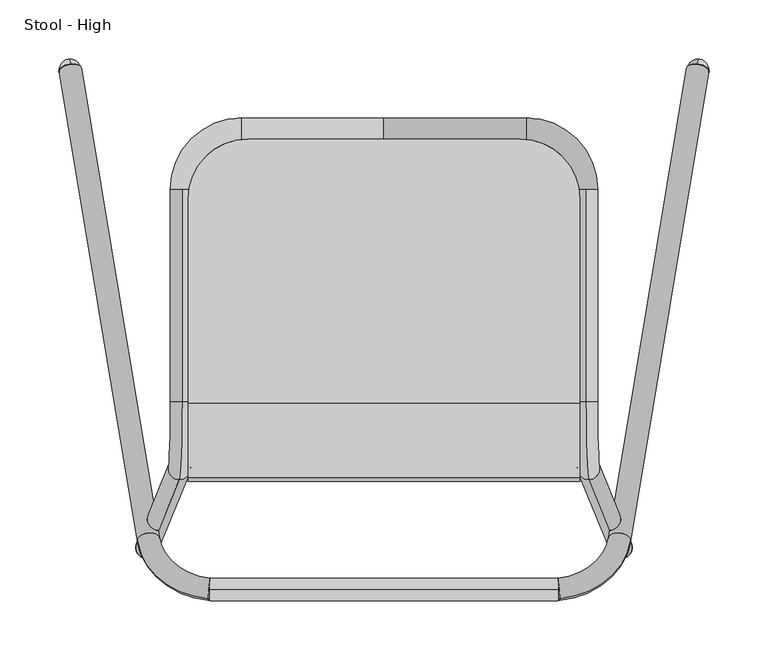
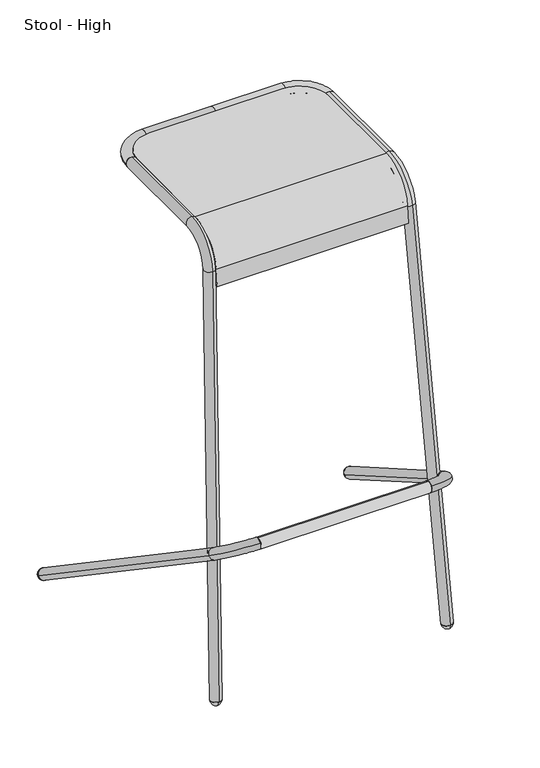
"""IFC4 building model written with IfcOpenShell, lengths in millimetres: furniture geometry, Stool - High."""

from ifc_helpers import new_model, si_unit, point, frame, frame_2d, origin, place, context, project, spatial, polyline, circle_curve, ellipse_curve, trimmed, segment, composite_curve, outline, extrude, source, transform, mapped, element, save
from ifc_brep_helpers import plane_surface, cylinder_surface, revolved_surface, advanced_brep


def stool_high_49d68d99(model_context):
    return source(origin(), model_context, "Body", "SolidModel", [
        advanced_brep(
        [(166.1553626, 13.2289178, 807.8716814), (-166.1553626, 13.2289178, 807.8716814), (-166.1553626, -50.0294455, 749.9060711), (166.1553626, -50.0294455, 749.9060711), (-166.1553626, -52.7052818, 719.3211229), (166.1553626, -52.7052818, 719.3211229), (-166.1553626, -49.5181538, 719.3211229), (166.1553626, -49.5181538, 719.3211229), (-166.1553626, -46.8665274, 749.6293516), (166.1553626, -46.8665274, 749.6293516), (-166.1553626, 13.2289178, 804.6966814), (166.1553626, 13.2289178, 804.6966814), (-166.1553626, 187.0067261, 804.6966814), (-115.3553626, 237.8067261, 804.6966814), (115.3553626, 237.8067261, 804.6966814), (166.1553626, 187.0067261, 804.6966814), (166.1553626, 187.0067261, 807.8716814), (115.3553626, 237.8067261, 807.8716814), (-115.3553626, 237.8067261, 807.8716814), (-166.1553626, 187.0067261, 807.8716814)],
        [
            (0, 1),
            (1, 2, circle_curve(frame((-166.1553626, 13.2289178, 744.3716814), z_axis=(1.0, 0.0, 0.0), x_axis=(0.0, 0.0, 1.0)), 63.5)),
            (2, 3),
            (3, 0, circle_curve(frame((166.1553626, 13.2289178, 744.3716814), z_axis=(-1.0, 0.0, 0.0), x_axis=(0.0, 0.0, 1.0)), 63.5)),
            (2, 4),
            (4, 5),
            (5, 3),
            (4, 6),
            (6, 7),
            (7, 5),
            (6, 8),
            (8, 9),
            (9, 7),
            (8, 10, circle_curve(frame((-166.1553626, 13.2289178, 744.3716814), z_axis=(-1.0, 0.0, 0.0), x_axis=(0.0, 0.0, 1.0)), 60.325)),
            (10, 11),
            (11, 9, circle_curve(frame((166.1553626, 13.2289178, 744.3716814), z_axis=(1.0, 0.0, 0.0), x_axis=(0.0, 0.0, 1.0)), 60.325)),
            (10, 12),
            (12, 13, circle_curve(frame((-115.3553626, 187.0067261, 804.6966814), z_axis=(0.0, 0.0, -1.0), x_axis=(0.0, -1.0, 0.0)), 50.8)),
            (13, 14),
            (14, 15, circle_curve(frame((115.3553626, 187.0067261, 804.6966814), z_axis=(0.0, 0.0, -1.0), x_axis=(0.0, -1.0, 0.0)), 50.8)),
            (15, 11),
            (0, 16),
            (16, 17, circle_curve(frame((115.3553626, 187.0067261, 807.8716814), z_axis=(0.0, 0.0, 1.0), x_axis=(0.0, -1.0, 0.0)), 50.8)),
            (17, 18),
            (18, 19, circle_curve(frame((-115.3553626, 187.0067261, 807.8716814), z_axis=(0.0, 0.0, 1.0), x_axis=(0.0, -1.0, 0.0)), 50.8)),
            (19, 1),
            (19, 12),
            (18, 13),
            (17, 14),
            (16, 15),
        ],
        [
            cylinder_surface(frame((-177.8, 13.2289178, 744.3716814), z_axis=(1.0, 0.0, 0.0), x_axis=(0.0, 0.0, 1.0)), 63.5),
            plane_surface(frame((177.8, -50.0294455, 749.9060711), z_axis=(0.0, -0.9961946980917455, 0.08715574274765779), x_axis=(-1.0, 0.0, 0.0))),
            plane_surface(frame((177.8, -52.7052818, 719.3211229), z_axis=(0.0, 0.0, -1.0), x_axis=(-1.0, 0.0, 0.0))),
            plane_surface(frame((177.8, -49.5181538, 719.3211229), z_axis=(0.0, 0.9961946980917455, -0.08715574274765885), x_axis=(-1.0, 0.0, 0.0))),
            revolved_surface(polyline([(-166.1553626, 13.2289178, 804.6966814000001), (166.1553626, 13.2289178, 804.6966814000001)]), (-177.8, 13.2289178, 744.3716814), (-1.0, 0.0, 0.0)),
            plane_surface(frame((177.8, 13.2289178, 804.6966814), z_axis=(0.0, 0.0, -1.0), x_axis=(-1.0, 0.0, 0.0))),
            plane_surface(frame((177.8, 246.3238297, 807.8716814), z_axis=(0.0, 0.0, 1.0), x_axis=(-1.0, 0.0, 0.0))),
            plane_surface(frame((-166.1553626, -97.7641973, 876.3), z_axis=(-1.0, 0.0, 0.0), x_axis=(0.0, 0.0, -1.0))),
            cylinder_surface(frame((-115.3553626, 187.0067261, 564.8398382), z_axis=(0.0, 0.0, -1.0), x_axis=(0.0, -1.0, 0.0)), 50.8),
            plane_surface(frame((-115.3553626, 237.8067261, 876.3), z_axis=(0.0, 1.0, 0.0), x_axis=(0.0, 0.0, -1.0))),
            cylinder_surface(frame((115.3553626, 187.0067261, 564.8398382), z_axis=(0.0, 0.0, -1.0), x_axis=(0.0, -1.0, 0.0)), 50.8),
            plane_surface(frame((166.1553626, 187.0067261, 876.3), z_axis=(1.0, 0.0, 0.0), x_axis=(0.0, 0.0, -1.0))),
        ],
        [
            (0, [[1, 2, 3, 4]]),
            (1, [[-3, 5, 6, 7]]),
            (2, [[-6, 8, 9, 10]]),
            (3, [[-9, 11, 12, 13]]),
            (4, [[-12, 14, 15, 16]]),
            (5, [[-15, 17, 18, 19, 20, 21]]),
            (6, [[-1, 22, 23, 24, 25, 26]]),
            (7, [[27, -17, -14, -11, -8, -5, -2, -26]]),
            (8, [[-27, -25, 28, -18]]),
            (9, [[-28, -24, 29, -19]]),
            (10, [[-29, -23, 30, -20]]),
            (11, [[-30, -22, -4, -7, -10, -13, -16, -21]]),
        ],
    ),
        extrude(outline(composite_curve([segment(trimmed(circle_curve(frame_2d((-144.5282705, 298.5492187)), 9.525), [point((-144.5282705, 289.0242187))], [point((-144.5282705, 308.0742187))], False, "CARTESIAN"), True, "CONTINUOUS"), segment(trimmed(circle_curve(frame_2d((-144.5282705, 298.5492187)), 9.525), [point((-144.5282705, 308.0742187))], [point((-144.5282705, 289.0242187))], False, "CARTESIAN"), True, "CONTINUOUS")], self_intersect=False)), frame((-147.9351563, 0.0, 0.0), z_axis=(1.0, 0.0, 0.0), x_axis=(0.0, 1.0, 0.0)), (0.0, 0.0, 1.0), 295.8703125),
        advanced_brep(
        [(267.3511482, 302.8554624, 11.3608379), (267.909329, 299.9320435, 6.951825), (266.7929674, 305.7788813, 15.7698507), (265.2733289, 301.5607787, 23.4390126), (267.2706493, 291.1000036, 7.6623849), (266.2719891, 296.3303912, 15.5506988)],
        [
            (0, 1),
            (1, 2, circle_curve(frame((267.3511482, 302.8554624, 11.3608379), z_axis=(0.13783805935553609, 0.8334296167362872, -0.535159549424193), x_axis=(0.10493059011884284, -0.5495639765616034, -0.828835934864741)), 5.3195242)),
            (2, 0),
            (2, 1, circle_curve(frame((267.3511482, 302.8554624, 11.3608379), z_axis=(0.13783805935553609, 0.8334296167362872, -0.535159549424193), x_axis=(0.10493059011884284, -0.5495639765616034, -0.828835934864741)), 5.3195242)),
            (3, 4, circle_curve(frame((266.2719891, 296.3303912, 15.5506988), z_axis=(-0.13783805935553609, -0.8334296167362872, 0.535159549424193), x_axis=(0.10493059011884284, -0.5495639765616034, -0.828835934864741)), 9.5173406)),
            (4, 5),
            (5, 3),
            (4, 3, circle_curve(frame((266.2719891, 296.3303912, 15.5506988), z_axis=(-0.13783805935553609, -0.8334296167362872, 0.535159549424193), x_axis=(0.10493059011884284, -0.5495639765616034, -0.828835934864741)), 9.5173406)),
            (1, 4, circle_curve(frame((265.7476607, 296.5740086, 18.8015741), z_axis=(-0.9848808256080588, 0.05809052945707333, -0.1632030935276227), x_axis=(-0.12781551371487535, -0.8795865336707184, 0.4582474486987713)), 12.5046296)),
            (3, 2, circle_curve(frame((266.3527626, 293.4048449, 14.0219362), z_axis=(-0.9848808256080589, 0.05809052945706945, -0.16320309352762402), x_axis=(-0.1467377232844927, -0.7804832624069772, 0.6077120351513912)), 12.5046296)),
        ],
        [
            plane_surface(frame((267.3511482, 302.8554624, 11.3608379), z_axis=(0.13783805935553545, 0.8334296167362873, -0.5351595494241931), x_axis=(0.10493059011884281, -0.5495639765616033, -0.8288359348647408))),
            plane_surface(frame((266.2719891, 296.3303912, 15.5506988), z_axis=(-0.13783805935553545, -0.8334296167362873, 0.5351595494241931), x_axis=(0.10493059011884281, -0.5495639765616033, -0.8288359348647408))),
            revolved_surface(trimmed(ellipse_curve(frame((265.7476607, 296.5740086, 18.8015741), z_axis=(0.9848808256080588, -0.05809052945707333, 0.1632030935276227), x_axis=(-0.12781551371487535, -0.8795865336707184, 0.4582474486987713)), 12.5046296, 12.5046296), [point((267.2706493, 291.1000036, 7.6623849))], [point((267.909329, 299.9320435, 6.951825))], True, "CARTESIAN"), (268.3000597, 308.5929994, 7.6766662), (0.13783805935553609, 0.8334296167362872, -0.535159549424193)),
            revolved_surface(trimmed(ellipse_curve(frame((265.7476607, 296.5740086, 18.8015741), z_axis=(0.9848808256080588, -0.05809052945707386, 0.16320309352762305), x_axis=(-0.12781551371487596, -0.8795865336707183, 0.45824744869877126)), 12.5046296, 12.5046296), [point((267.2706493, 291.1000036, 7.6623849))], [point((267.909329, 299.9320435, 6.951825))], True, "CARTESIAN"), (268.3000597, 308.5929994, 7.6766662), (0.13783805935553609, 0.8334296167362872, -0.535159549424193)),
        ],
        [
            (0, [[1, 2, 3]]),
            (0, [[-3, 4, -1]]),
            (1, [[5, 6, 7]]),
            (1, [[8, -7, -6]]),
            (2, [[-2, 9, -5, 10]]),
            (3, [[-4, -10, -8, -9]]),
        ],
    ),
        advanced_brep(
        [(256.4107109, 297.3629354, 14.8032444), (275.2788744, 295.153413, 16.2220169), (209.4590818, -102.8220432, 271.76893), (190.5909182, -100.6125208, 270.3501575), (146.8976341, -136.3228435, 293.2803724), (148.9726784, -152.2573059, 303.5121659)],
        [
            (0, 1, circle_curve(frame((265.8447926, 296.2581742, 15.5126307), z_axis=(0.13783805935553617, 0.8334296167362902, -0.5351595494241881), x_axis=(0.9904547790752992, -0.11598542750998722, 0.07447624595953939)), 9.525)),
            (1, 0, circle_curve(frame((265.8447926, 296.2581742, 15.5126307), z_axis=(0.13783805935553617, 0.8334296167362902, -0.5351595494241881), x_axis=(0.9904547790752992, -0.11598542750998722, 0.07447624595953939)), 9.525)),
            (1, 2),
            (2, 3, circle_curve(frame((200.025, -101.717282, 271.0595438), z_axis=(0.13783805935553617, 0.8334296167362902, -0.5351595494241881), x_axis=(0.9904547790752992, -0.11598542750998722, 0.07447624595953939)), 9.525)),
            (3, 0),
            (3, 2, circle_curve(frame((200.025, -101.717282, 271.0595438), z_axis=(0.13783805935553617, 0.8334296167362902, -0.5351595494241881), x_axis=(0.9904547790752992, -0.11598542750998722, 0.07447624595953939)), 9.525)),
            (4, 5, circle_curve(frame((147.9351563, -144.2900747, 298.3962691), z_axis=(-0.9940498379357217, -0.09165721968122494, 0.058854683588252375), x_axis=(0.10892621218038215, -0.8364547205486779, 0.5371020208227371)), 9.525)),
            (5, 4, circle_curve(frame((147.9351563, -144.2900747, 298.3962691), z_axis=(-0.9940498379357217, -0.09165721968122494, 0.058854683588252375), x_axis=(0.10892621218038215, -0.8364547205486779, 0.5371020208227371)), 9.525)),
            (4, 3, circle_curve(frame((141.4986667, -94.8636609, 266.6587153), z_axis=(0.0, 0.5403169945061194, 0.8414615531608525), x_axis=(0.9904547790752998, -0.11598542750999317, 0.07447624595952285)), 49.5653638)),
            (2, 5, circle_curve(frame((141.4986667, -94.8636609, 266.6587153), z_axis=(0.0, -0.5403169945061194, -0.8414615531608525), x_axis=(0.9904547790752998, -0.11598542750999317, 0.07447624595952285)), 68.6153638)),
        ],
        [
            plane_surface(frame((265.8447926, 296.2581742, 15.5126307), z_axis=(0.13783805935553614, 0.8334296167362902, -0.5351595494241881), x_axis=(0.0, 0.5403169945061194, 0.8414615531608525))),
            cylinder_surface(frame((265.8447926, 296.2581742, 15.5126307), z_axis=(0.13783805935553617, 0.8334296167362902, -0.5351595494241881), x_axis=(0.9904547790752992, -0.11598542750998722, 0.07447624595953939)), 9.525),
            plane_surface(frame((147.9351563, -144.2900747, 298.3962691), z_axis=(-0.9940498379357217, -0.09165721968122498, 0.05885468358825242), x_axis=(0.0, 0.5403169945061336, 0.8414615531608435))),
            revolved_surface(trimmed(ellipse_curve(frame((200.025, -101.717282, 271.0595438), z_axis=(0.13783805935553226, 0.8334296167362908, -0.5351595494241884), x_axis=(0.9904547790752998, -0.11598542750998395, 0.07447624595953727)), 9.525, 9.525), [point((209.4590818, -102.8220432, 271.76893))], [point((190.5909182, -100.6125208, 270.3501575))], True, "CARTESIAN"), (141.4986667, -94.8636609, 266.6587153), (0.0, -0.5403169945061194, -0.8414615531608525)),
            revolved_surface(trimmed(ellipse_curve(frame((200.025, -101.717282, 271.0595438), z_axis=(0.13783805935553226, 0.8334296167362908, -0.5351595494241884), x_axis=(0.9904547790752998, -0.11598542750998395, 0.07447624595953727)), 9.525, 9.525), [point((190.5909182, -100.6125208, 270.3501575))], [point((209.4590818, -102.8220432, 271.76893))], True, "CARTESIAN"), (141.4986667, -94.8636609, 266.6587153), (0.0, -0.5403169945061194, -0.8414615531608525)),
        ],
        [
            (0, [[1, 2]]),
            (1, [[-2, 3, 4, 5]]),
            (1, [[-1, -5, 6, -3]]),
            (2, [[7, 8]]),
            (3, [[9, -4, 10, -7]]),
            (4, [[-10, -6, -9, -8]]),
        ],
    ),
        advanced_brep(
        [(-266.7929674, 305.7788813, 15.7698507), (-267.909329, 299.9320435, 6.951825), (-267.3511482, 302.8554624, 11.3608379), (-266.2719891, 296.3303912, 15.5506988), (-267.2706493, 291.1000036, 7.6623849), (-265.2733289, 301.5607787, 23.4390126)],
        [
            (0, 1, circle_curve(frame((-267.3511482, 302.8554624, 11.3608379), z_axis=(-0.13783805935554708, 0.8334296167362872, -0.5351595494241901), x_axis=(-0.10493059011885986, -0.5495639765616034, -0.8288359348647388)), 5.3195242)),
            (1, 2),
            (2, 0),
            (1, 0, circle_curve(frame((-267.3511482, 302.8554624, 11.3608379), z_axis=(-0.13783805935554708, 0.8334296167362872, -0.5351595494241901), x_axis=(-0.10493059011885986, -0.5495639765616034, -0.8288359348647388)), 5.3195242)),
            (3, 4),
            (4, 5, circle_curve(frame((-266.2719891, 296.3303912, 15.5506988), z_axis=(0.13783805935554708, -0.8334296167362872, 0.5351595494241901), x_axis=(-0.10493059011885986, -0.5495639765616034, -0.8288359348647388)), 9.5173406)),
            (5, 3),
            (5, 4, circle_curve(frame((-266.2719891, 296.3303912, 15.5506988), z_axis=(0.13783805935554708, -0.8334296167362872, 0.5351595494241901), x_axis=(-0.10493059011885986, -0.5495639765616034, -0.8288359348647388)), 9.5173406)),
            (4, 1, circle_curve(frame((-265.7476607, 296.5740086, 18.8015741), z_axis=(0.9848808256080552, 0.058090529457073374, -0.16320309352764295), x_axis=(0.12781551371488478, -0.8795865336707184, 0.4582474486987683)), 12.5046296)),
            (0, 5, circle_curve(frame((-266.3527626, 293.4048449, 14.0219362), z_axis=(0.9848808256080553, 0.05809052945706939, -0.16320309352764417), x_axis=(0.14673772328450513, -0.780483262406977, 0.607712035151388)), 12.5046296)),
        ],
        [
            plane_surface(frame((-267.3511482, 302.8554624, 11.3608379), z_axis=(-0.1378380593555465, 0.8334296167362875, -0.5351595494241903), x_axis=(-0.10493059011885986, -0.5495639765616034, -0.8288359348647388))),
            plane_surface(frame((-266.2719891, 296.3303912, 15.5506988), z_axis=(0.1378380593555465, -0.8334296167362875, 0.5351595494241903), x_axis=(-0.10493059011885986, -0.5495639765616034, -0.8288359348647388))),
            revolved_surface(trimmed(ellipse_curve(frame((-265.7476607, 296.5740086, 18.8015741), z_axis=(-0.9848808256080552, -0.058090529457073374, 0.16320309352764295), x_axis=(0.12781551371488478, -0.8795865336707184, 0.4582474486987683)), 12.5046296, 12.5046296), [point((-267.909329, 299.9320435, 6.951825))], [point((-267.2706493, 291.1000036, 7.6623849))], True, "CARTESIAN"), (-268.3000597, 308.5929994, 7.6766662), (0.13783805935554708, -0.8334296167362872, 0.5351595494241901)),
            revolved_surface(trimmed(ellipse_curve(frame((-265.7476607, 296.5740086, 18.8015741), z_axis=(-0.9848808256080552, -0.05809052945707394, 0.1632030935276433), x_axis=(0.12781551371488542, -0.8795865336707185, 0.4582474486987681)), 12.5046296, 12.5046296), [point((-267.909329, 299.9320435, 6.951825))], [point((-267.2706493, 291.1000036, 7.6623849))], True, "CARTESIAN"), (-268.3000597, 308.5929994, 7.6766662), (0.13783805935554708, -0.8334296167362872, 0.5351595494241901)),
        ],
        [
            (0, [[1, 2, 3]]),
            (0, [[4, -3, -2]]),
            (1, [[5, 6, 7]]),
            (1, [[-7, 8, -5]]),
            (2, [[-6, 9, -1, 10]]),
            (3, [[-8, -10, -4, -9]]),
        ],
    ),
        advanced_brep(
        [(-275.2788744, 295.153413, 16.2220169), (-256.4107109, 297.3629354, 14.8032444), (-209.4590818, -102.8220432, 271.76893), (-190.5909182, -100.6125208, 270.3501575), (-148.9726784, -152.2573059, 303.5121659), (-146.8976341, -136.3228435, 293.2803724)],
        [
            (0, 1, circle_curve(frame((-265.8447926, 296.2581742, 15.5126307), z_axis=(-0.1378380593555472, 0.8334296167362889, -0.5351595494241872), x_axis=(0.9904547790752977, 0.11598542750999653, -0.07447624595954534)), 9.525)),
            (1, 0, circle_curve(frame((-265.8447926, 296.2581742, 15.5126307), z_axis=(-0.1378380593555472, 0.8334296167362889, -0.5351595494241872), x_axis=(0.9904547790752977, 0.11598542750999653, -0.07447624595954534)), 9.525)),
            (0, 2),
            (2, 3, circle_curve(frame((-200.025, -101.717282, 271.0595438), z_axis=(-0.1378380593555472, 0.8334296167362889, -0.5351595494241872), x_axis=(0.9904547790752977, 0.11598542750999653, -0.07447624595954534)), 9.525)),
            (3, 1),
            (3, 2, circle_curve(frame((-200.025, -101.717282, 271.0595438), z_axis=(-0.1378380593555472, 0.8334296167362889, -0.5351595494241872), x_axis=(0.9904547790752977, 0.11598542750999653, -0.07447624595954534)), 9.525)),
            (4, 5, circle_curve(frame((-147.9351562, -144.2900747, 298.3962691), z_axis=(0.9940498379357228, -0.09165721968122369, 0.05885468358823385), x_axis=(0.1089262121803711, 0.8364547205486871, -0.5371020208227247)), 9.525)),
            (5, 4, circle_curve(frame((-147.9351562, -144.2900747, 298.3962691), z_axis=(0.9940498379357228, -0.09165721968122369, 0.05885468358823385), x_axis=(0.1089262121803711, 0.8364547205486871, -0.5371020208227247)), 9.525)),
            (5, 3, circle_curve(frame((-141.4986667, -94.8636609, 266.6587153), z_axis=(0.0, -0.5403169945061194, -0.8414615531608525), x_axis=(-0.9904547790752984, -0.11598542750999168, 0.07447624595954223)), 49.5653638)),
            (2, 4, circle_curve(frame((-141.4986667, -94.8636609, 266.6587153), z_axis=(0.0, 0.5403169945061194, 0.8414615531608525), x_axis=(-0.9904547790752984, -0.11598542750999168, 0.07447624595954223)), 68.6153638)),
        ],
        [
            plane_surface(frame((-265.8447926, 296.2581742, 15.5126307), z_axis=(-0.13783805935554716, 0.833429616736289, -0.5351595494241873), x_axis=(0.0, 0.5403169945061194, 0.8414615531608525))),
            cylinder_surface(frame((-265.8447926, 296.2581742, 15.5126307), z_axis=(-0.13783805935554722, 0.8334296167362891, -0.5351595494241873), x_axis=(0.9904547790752977, 0.11598542750999653, -0.07447624595954534)), 9.525),
            plane_surface(frame((-147.9351563, -144.2900747, 298.3962691), z_axis=(0.9940498379357229, -0.09165721968122388, 0.058854683588233724), x_axis=(0.0, 0.5403169945061194, 0.8414615531608526))),
            revolved_surface(trimmed(ellipse_curve(frame((-200.025, -101.717282, 271.0595438), z_axis=(-0.1378380593555415, 0.8334296167362898, -0.5351595494241875), x_axis=(0.9904547790752984, 0.11598542750999175, -0.07447624595954222)), 9.525, 9.525), [point((-209.4590818, -102.8220432, 271.76893))], [point((-190.5909182, -100.6125208, 270.3501575))], True, "CARTESIAN"), (-141.4986667, -94.8636609, 266.6587153), (0.0, 0.5403169945061194, 0.8414615531608525)),
            revolved_surface(trimmed(ellipse_curve(frame((-200.025, -101.717282, 271.0595438), z_axis=(-0.1378380593555415, 0.8334296167362898, -0.5351595494241875), x_axis=(0.9904547790752984, 0.11598542750999175, -0.07447624595954222)), 9.525, 9.525), [point((-190.5909182, -100.6125208, 270.3501575))], [point((-209.4590818, -102.8220432, 271.76893))], True, "CARTESIAN"), (-141.4986667, -94.8636609, 266.6587153), (0.0, 0.5403169945061194, 0.8414615531608525)),
        ],
        [
            (0, [[1, 2]]),
            (1, [[-1, 3, 4, 5]]),
            (1, [[-2, -5, 6, -3]]),
            (2, [[7, 8]]),
            (3, [[9, -4, 10, -8]]),
            (4, [[-10, -6, -9, -7]]),
        ],
    ),
        advanced_brep(
        [(0.0, 255.6638378, 800.1), (120.65, 255.6638378, 800.1), (120.65, 236.6138378, 800.1), (0.0, 236.6138378, 800.1), (162.1250464, 195.1387915, 800.1), (181.1750464, 195.1387915, 800.1), (-120.65, 255.6638378, 800.1), (-120.65, 236.6138378, 800.1), (-181.1750464, 195.1387915, 800.1), (-162.1250464, 195.1387915, 800.1)],
        [
            (0, 1),
            (1, 2, circle_curve(frame((120.65, 246.1388378, 800.1), z_axis=(-1.0, 0.0, 0.0), x_axis=(0.0, 1.0, 0.0)), 9.525)),
            (2, 3),
            (3, 0, circle_curve(frame((0.0, 246.1388378, 800.1), z_axis=(1.0, 0.0, 0.0), x_axis=(0.0, 1.0, 0.0)), 9.525)),
            (0, 3, circle_curve(frame((0.0, 246.1388378, 800.1), z_axis=(1.0, 0.0, 0.0), x_axis=(0.0, 1.0, 0.0)), 9.525)),
            (2, 1, circle_curve(frame((120.65, 246.1388378, 800.1), z_axis=(-1.0, 0.0, 0.0), x_axis=(0.0, 1.0, 0.0)), 9.525)),
            (4, 5, circle_curve(frame((171.6500464, 195.1387915, 800.1), z_axis=(0.0, -1.0, 0.0), x_axis=(1.0, 0.0, 0.0)), 9.525)),
            (5, 4, circle_curve(frame((171.6500464, 195.1387915, 800.1), z_axis=(0.0, -1.0, 0.0), x_axis=(1.0, 0.0, 0.0)), 9.525)),
            (1, 5, circle_curve(frame((120.65, 195.1387915, 800.1), z_axis=(0.0, 0.0, -1.0), x_axis=(0.0, 1.0, 0.0)), 60.5250464)),
            (4, 2, circle_curve(frame((120.65, 195.1387915, 800.1), z_axis=(0.0, 0.0, 1.0), x_axis=(0.0, 1.0, 0.0)), 41.4750464)),
            (0, 6),
            (6, 7, circle_curve(frame((-120.65, 246.1388378, 800.1), z_axis=(1.0, 0.0, 0.0), x_axis=(0.0, -1.0, 0.0)), 9.525)),
            (7, 3),
            (7, 6, circle_curve(frame((-120.65, 246.1388378, 800.1), z_axis=(1.0, 0.0, 0.0), x_axis=(0.0, -1.0, 0.0)), 9.525)),
            (8, 9, circle_curve(frame((-171.6500464, 195.1387915, 800.1), z_axis=(0.0, -1.0, 0.0), x_axis=(1.0, 0.0, 0.0)), 9.525)),
            (9, 8, circle_curve(frame((-171.6500464, 195.1387915, 800.1), z_axis=(0.0, -1.0, 0.0), x_axis=(1.0, 0.0, 0.0)), 9.525)),
            (6, 8, circle_curve(frame((-120.65, 195.1387915, 800.1), z_axis=(0.0, 0.0, 1.0), x_axis=(0.0, 1.0, 0.0)), 60.5250464)),
            (9, 7, circle_curve(frame((-120.65, 195.1387915, 800.1), z_axis=(0.0, 0.0, -1.0), x_axis=(0.0, 1.0, 0.0)), 41.4750464)),
        ],
        [
            cylinder_surface(frame((0.0, 246.1388378, 800.1), z_axis=(-1.0, 0.0, 0.0), x_axis=(0.0, 1.0, 0.0)), 9.525),
            plane_surface(frame((171.6500464, 195.1387915, 800.1), z_axis=(0.0, -1.0, 0.0), x_axis=(0.0, 0.0, 1.0))),
            revolved_surface(trimmed(ellipse_curve(frame((120.65, 246.1388378, 800.1), z_axis=(-1.0, 0.0, 0.0), x_axis=(0.0, 1.0, 0.0)), 9.525, 9.525), [point((120.65, 255.6638378, 800.1))], [point((120.65, 236.6138378, 800.1))], True, "CARTESIAN"), (120.65, 195.1387915, 800.1), (0.0, 0.0, -1.0)),
            revolved_surface(trimmed(ellipse_curve(frame((120.65, 246.1388378, 800.1), z_axis=(-1.0, 0.0, 0.0), x_axis=(0.0, 1.0, 0.0)), 9.525, 9.525), [point((120.65, 236.6138378, 800.1))], [point((120.65, 255.6638378, 800.1))], True, "CARTESIAN"), (120.65, 195.1387915, 800.1), (0.0, 0.0, -1.0)),
            cylinder_surface(frame((0.0, 246.1388378, 800.1), z_axis=(1.0, 0.0, 0.0), x_axis=(0.0, -1.0, 0.0)), 9.525),
            plane_surface(frame((-171.6500464, 195.1387915, 800.1), z_axis=(0.0, -1.0, 0.0), x_axis=(0.0, 0.0, 1.0))),
            revolved_surface(trimmed(ellipse_curve(frame((-120.65, 246.1388378, 800.1), z_axis=(1.0, 0.0, 0.0), x_axis=(0.0, -1.0, 0.0)), 9.525, 9.525), [point((-120.65, 255.6638378, 800.1))], [point((-120.65, 236.6138378, 800.1))], True, "CARTESIAN"), (-120.65, 195.1387915, 800.1), (0.0, 0.0, 1.0)),
            revolved_surface(trimmed(ellipse_curve(frame((-120.65, 246.1388378, 800.1), z_axis=(1.0, 0.0, 0.0), x_axis=(0.0, -1.0, 0.0)), 9.525, 9.525), [point((-120.65, 236.6138378, 800.1))], [point((-120.65, 255.6638378, 800.1))], True, "CARTESIAN"), (-120.65, 195.1387915, 800.1), (0.0, 0.0, 1.0)),
        ],
        [
            (0, [[1, 2, 3, 4]]),
            (0, [[-1, 5, -3, 6]]),
            (1, [[7, 8]]),
            (2, [[-2, 9, -7, 10]]),
            (3, [[-6, -10, -8, -9]]),
            (4, [[11, 12, 13, -5]]),
            (4, [[-11, -4, -13, 14]]),
            (5, [[15, 16]]),
            (6, [[-12, 17, -16, 18]]),
            (7, [[-14, -18, -15, -17]]),
        ],
    ),
        advanced_brep(
        [(201.1968485, -109.5826812, 0.922766), (201.1968364, -114.8804788, 1.4030557), (201.1968606, -104.2848836, 0.4424763), (200.9081177, -99.3978109, 7.8553626), (200.9080744, -118.3547485, 9.5739677), (200.908096, -108.8762797, 8.7146652)],
        [
            (0, 1),
            (1, 2, circle_curve(frame((201.1968485, -109.5826812, 0.922766), z_axis=(0.03688156795671764, -0.09022675039102243, -0.9952381039022422), x_axis=(-2.2733098768196354e-06, -0.9959156891523456, 0.0902880949795763)), 5.3195242)),
            (2, 0),
            (2, 1, circle_curve(frame((201.1968485, -109.5826812, 0.922766), z_axis=(0.03688156795671764, -0.09022675039102243, -0.9952381039022422), x_axis=(-2.2733098768196354e-06, -0.9959156891523456, 0.0902880949795763)), 5.3195242)),
            (3, 4, circle_curve(frame((200.908096, -108.8762797, 8.7146652), z_axis=(-0.03688156795671764, 0.09022675039102243, 0.9952381039022422), x_axis=(-2.2733098768196354e-06, -0.9959156891523456, 0.0902880949795763)), 9.5173406)),
            (4, 5),
            (5, 3),
            (4, 3, circle_curve(frame((200.908096, -108.8762797, 8.7146652), z_axis=(-0.03688156795671764, 0.09022675039102243, 0.9952381039022422), x_axis=(-2.2733098768196354e-06, -0.9959156891523456, 0.0902880949795763)), 9.5173406)),
            (1, 4, circle_curve(frame((200.8487612, -105.8595401, 10.0556431), z_axis=(-0.9993196435274784, -0.003327704026060493, -0.036731137281997), x_axis=(-0.03673154722961979, 6.213954896247542e-05, 0.9993251670886684)), 12.5046296)),
            (3, 2, circle_curve(frame((200.8487481, -111.6026747, 10.5763064), z_axis=(-0.9993196435274784, -0.0033277040260634707, -0.03673113728199406), x_axis=(-0.03673113728199532, 0.17965633950980583, 0.9830434493082739)), 12.5046296)),
        ],
        [
            plane_surface(frame((201.1968485, -109.5826812, 0.922766), z_axis=(0.03688156795671699, -0.09022675039102244, -0.9952381039022423), x_axis=(-2.273309876819635e-06, -0.9959156891523454, 0.09028809497957628))),
            plane_surface(frame((200.908096, -108.8762797, 8.7146652), z_axis=(-0.03688156795671699, 0.09022675039102244, 0.9952381039022423), x_axis=(-2.273309876819635e-06, -0.9959156891523454, 0.09028809497957628))),
            revolved_surface(trimmed(ellipse_curve(frame((200.8487612, -105.8595401, 10.0556431), z_axis=(0.9993196435274784, 0.003327704026060493, 0.036731137281997), x_axis=(-0.03673154722961979, 6.213954896247542e-05, 0.9993251670886684)), 12.5046296, 12.5046296), [point((200.9080744, -118.3547485, 9.5739677))], [point((201.1968364, -114.8804788, 1.4030557))], True, "CARTESIAN"), (201.4507504, -110.2038246, -5.928701), (0.03688156795671764, -0.09022675039102243, -0.9952381039022422)),
            revolved_surface(trimmed(ellipse_curve(frame((200.8487612, -105.8595401, 10.0556431), z_axis=(0.9993196435274785, 0.0033277040260605534, 0.036731137281997665), x_axis=(-0.03673154722962045, 6.213954896244767e-05, 0.9993251670886685)), 12.5046296, 12.5046296), [point((200.9080744, -118.3547485, 9.5739677))], [point((201.1968364, -114.8804788, 1.4030557))], True, "CARTESIAN"), (201.4507504, -110.2038246, -5.928701), (0.03688156795671764, -0.09022675039102243, -0.9952381039022422)),
        ],
        [
            (0, [[1, 2, 3]]),
            (0, [[-3, 4, -1]]),
            (1, [[5, 6, 7]]),
            (1, [[8, -7, -6]]),
            (2, [[-2, 9, -5, 10]]),
            (3, [[-4, -10, -8, -9]]),
        ],
    ),
        advanced_brep(
        [(171.2973107, 195.1387915, 809.6119328), (172.002782, 195.1387915, 790.575), (172.002782, 15.0830163, 790.575), (171.2973107, 15.0830163, 809.6119328), (173.5436769, -51.3200329, 748.9944101), (173.6073293, -32.3477332, 747.2767695), (200.9448379, -118.3539971, 9.5822608), (201.0084902, -99.3816974, 7.8646202)],
        [
            (0, 1, circle_curve(frame((171.6500464, 195.1387915, 800.0934664), z_axis=(0.0, -1.0, 0.0), x_axis=(0.037032614784238686, 0.0, -0.9993140574625388)), 9.525)),
            (1, 2),
            (2, 3, circle_curve(frame((171.6500464, 15.0830163, 800.0934664), z_axis=(0.0, 1.0, 0.0), x_axis=(0.037032614784238686, 0.0, -0.9993140574625388)), 9.525)),
            (3, 0),
            (1, 0, circle_curve(frame((171.6500464, 195.1387915, 800.0934664), z_axis=(0.0, -1.0, 0.0), x_axis=(0.037032614784238686, 0.0, -0.9993140574625388)), 9.525)),
            (3, 2, circle_curve(frame((171.6500464, 15.0830163, 800.0934664), z_axis=(0.0, 1.0, 0.0), x_axis=(0.037032614784238686, 0.0, -0.9993140574625388)), 9.525)),
            (4, 3, circle_curve(frame((173.7664603, 15.0830163, 742.982668), z_axis=(-0.9993140574625388, 0.0, -0.03703261478423869), x_axis=(-0.03703261478423869, 0.0, 0.9993140574625388)), 66.675)),
            (2, 5, circle_curve(frame((173.7664603, 15.0830163, 742.982668), z_axis=(0.9993140574625388, 0.0, 0.03703261478423869), x_axis=(-0.03703261478423869, 0.0, 0.9993140574625388)), 47.625)),
            (5, 4, circle_curve(frame((173.5755031, -41.833883, 748.1355898), z_axis=(-0.0368815679567176, 0.0902267503910265, 0.9952381039022418), x_axis=(0.003341332490464535, 0.9959212486506528, -0.09016486002491639)), 9.525)),
            (4, 5, circle_curve(frame((173.5755031, -41.833883, 748.1355898), z_axis=(-0.03688156795671761, 0.0902267503910223, 0.9952381039022421), x_axis=(0.0033413324904643803, 0.9959212486506531, -0.0901648600249122)), 9.525)),
            (6, 7, circle_curve(frame((200.9766641, -108.8678473, 8.7234405), z_axis=(0.03688156795671765, -0.09022675039102247, -0.9952381039022423), x_axis=(0.003341332490464373, 0.9959212486506533, -0.09016486002491236)), 9.525)),
            (7, 6, circle_curve(frame((200.9766641, -108.8678473, 8.7234405), z_axis=(0.03688156795671765, -0.09022675039102247, -0.9952381039022423), x_axis=(0.003341332490464373, 0.9959212486506533, -0.09016486002491236)), 9.525)),
            (5, 7),
            (6, 4),
        ],
        [
            cylinder_surface(frame((171.6500464, 195.1387915, 800.0934664), z_axis=(0.0, 1.0, 0.0), x_axis=(0.037032614784238686, 0.0, -0.9993140574625388)), 9.525),
            revolved_surface(trimmed(ellipse_curve(frame((171.6500464, 15.0830163, 800.0934664), z_axis=(0.0, 1.0, 0.0), x_axis=(0.037032614784238686, 0.0, -0.9993140574625388)), 9.525, 9.525), [point((172.002782, 15.0830163, 790.575))], [point((171.2973107, 15.0830163, 809.6119328))], True, "CARTESIAN"), (178.7606328, 15.0830163, 743.1677422), (0.9993140574625388, 0.0, 0.03703261478423869)),
            revolved_surface(trimmed(ellipse_curve(frame((171.6500464, 15.0830163, 800.0934664), z_axis=(0.0, 1.0, 0.0), x_axis=(0.037032614784238686, 0.0, -0.9993140574625388)), 9.525, 9.525), [point((171.2973107, 15.0830163, 809.6119328))], [point((172.002782, 15.0830163, 790.575))], True, "CARTESIAN"), (178.7606328, 15.0830163, 743.1677422), (0.9993140574625388, 0.0, 0.03703261478423869)),
            plane_surface(frame((205.9708366, -108.8678473, 8.9085147), z_axis=(0.036881567956717654, -0.09022675039102243, -0.9952381039022423), x_axis=(0.9993140574625388, 0.0, 0.0370326147842387))),
            cylinder_surface(frame((173.5755031, -41.833883, 748.1355898), z_axis=(-0.03688156795671765, 0.09022675039102247, 0.9952381039022423), x_axis=(0.003341332490464373, 0.9959212486506533, -0.09016486002491236)), 9.525),
            plane_surface(frame((176.6442189, 195.1387915, 800.2785406), z_axis=(0.0, 1.0, 0.0), x_axis=(0.9993140574625388, 0.0, 0.0370326147842387))),
        ],
        [
            (0, [[1, 2, 3, 4]]),
            (0, [[5, -4, 6, -2]]),
            (1, [[7, -3, 8, 9]]),
            (2, [[-8, -6, -7, 10]]),
            (3, [[11, 12]]),
            (4, [[-9, 13, -11, 14]]),
            (4, [[-10, -14, -12, -13]]),
            (5, [[-5, -1]]),
        ],
    ),
        advanced_brep(
        [(-201.1968606, -104.2848836, 0.4424763), (-201.1968364, -114.8804788, 1.4030557), (-201.1968485, -109.5826812, 0.922766), (-200.908096, -108.8762797, 8.7146652), (-200.9080744, -118.3547485, 9.5739677), (-200.9081177, -99.3978109, 7.8553626)],
        [
            (0, 1, circle_curve(frame((-201.1968485, -109.5826812, 0.922766), z_axis=(-0.036881567956738096, -0.09022675039102243, -0.9952381039022414), x_axis=(2.2733098786744885e-06, -0.9959156891523456, 0.0902880949795763)), 5.3195242)),
            (1, 2),
            (2, 0),
            (1, 0, circle_curve(frame((-201.1968485, -109.5826812, 0.922766), z_axis=(-0.036881567956738096, -0.09022675039102243, -0.9952381039022414), x_axis=(2.2733098786744885e-06, -0.9959156891523456, 0.0902880949795763)), 5.3195242)),
            (3, 4),
            (4, 5, circle_curve(frame((-200.908096, -108.8762797, 8.7146652), z_axis=(0.036881567956738096, 0.09022675039102243, 0.9952381039022414), x_axis=(2.2733098786744885e-06, -0.9959156891523456, 0.0902880949795763)), 9.5173406)),
            (5, 3),
            (5, 4, circle_curve(frame((-200.908096, -108.8762797, 8.7146652), z_axis=(0.036881567956738096, 0.09022675039102243, 0.9952381039022414), x_axis=(2.2733098786744885e-06, -0.9959156891523456, 0.0902880949795763)), 9.5173406)),
            (4, 1, circle_curve(frame((-200.8487612, -105.8595401, 10.0556431), z_axis=(0.9993196435274776, -0.0033277040260604918, -0.03673113728201753), x_axis=(0.036731547229640324, 6.213954896244767e-05, 0.9993251670886676)), 12.5046296)),
            (0, 5, circle_curve(frame((-200.8487481, -111.6026747, 10.5763064), z_axis=(0.9993196435274776, -0.003327704026063471, -0.0367311372820146), x_axis=(0.03673113728201553, 0.17965633950980586, 0.9830434493082731)), 12.5046296)),
        ],
        [
            plane_surface(frame((-201.1968485, -109.5826812, 0.922766), z_axis=(-0.03688156795673744, -0.09022675039102244, -0.9952381039022415), x_axis=(2.273309878674488e-06, -0.9959156891523454, 0.09028809497957628))),
            plane_surface(frame((-200.908096, -108.8762797, 8.7146652), z_axis=(0.03688156795673744, 0.09022675039102244, 0.9952381039022415), x_axis=(2.273309878674488e-06, -0.9959156891523454, 0.09028809497957628))),
            revolved_surface(trimmed(ellipse_curve(frame((-200.8487612, -105.8595401, 10.0556431), z_axis=(-0.9993196435274776, 0.0033277040260604918, 0.03673113728201753), x_axis=(0.036731547229640324, 6.213954896244767e-05, 0.9993251670886676)), 12.5046296, 12.5046296), [point((-201.1968364, -114.8804788, 1.4030557))], [point((-200.9080744, -118.3547485, 9.5739677))], True, "CARTESIAN"), (-201.4507504, -110.2038246, -5.928701), (0.036881567956738096, 0.09022675039102243, 0.9952381039022414)),
            revolved_surface(trimmed(ellipse_curve(frame((-200.8487612, -105.8595401, 10.0556431), z_axis=(-0.9993196435274777, 0.0033277040260605525, 0.0367311372820182), x_axis=(0.03673154722964098, 6.213954896240603e-05, 0.9993251670886676)), 12.5046296, 12.5046296), [point((-201.1968364, -114.8804788, 1.4030557))], [point((-200.9080744, -118.3547485, 9.5739677))], True, "CARTESIAN"), (-201.4507504, -110.2038246, -5.928701), (0.036881567956738096, 0.09022675039102243, 0.9952381039022414)),
        ],
        [
            (0, [[1, 2, 3]]),
            (0, [[4, -3, -2]]),
            (1, [[5, 6, 7]]),
            (1, [[-7, 8, -5]]),
            (2, [[-6, 9, -1, 10]]),
            (3, [[-8, -10, -4, -9]]),
        ],
    ),
        advanced_brep(
        [(-171.2973107, 195.1387915, 809.6119328), (-172.002782, 195.1387915, 790.575), (-172.002782, 15.0830163, 790.575), (-171.2973107, 15.0830163, 809.6119328), (-173.5436769, -51.3200329, 748.9944101), (-173.6073293, -32.3477332, 747.2767695), (-201.0084902, -99.3816974, 7.8646202), (-200.9448379, -118.3539971, 9.5822608)],
        [
            (0, 1, circle_curve(frame((-171.6500464, 195.1387915, 800.0934664), z_axis=(0.0, -1.0, 0.0), x_axis=(0.03703261478425923, 0.0, 0.9993140574625381)), 9.525)),
            (1, 2),
            (2, 3, circle_curve(frame((-171.6500464, 15.0830163, 800.0934664), z_axis=(0.0, 1.0, 0.0), x_axis=(0.03703261478425923, 0.0, 0.9993140574625381)), 9.525)),
            (3, 0),
            (1, 0, circle_curve(frame((-171.6500464, 195.1387915, 800.0934664), z_axis=(0.0, -1.0, 0.0), x_axis=(0.03703261478425923, 0.0, 0.9993140574625381)), 9.525)),
            (3, 2, circle_curve(frame((-171.6500464, 15.0830163, 800.0934664), z_axis=(0.0, 1.0, 0.0), x_axis=(0.03703261478425923, 0.0, 0.9993140574625381)), 9.525)),
            (4, 3, circle_curve(frame((-173.7664603, 15.0830163, 742.982668), z_axis=(-0.999314057462538, 0.0, 0.03703261478425923), x_axis=(0.03703261478425923, 0.0, 0.999314057462538)), 66.675)),
            (2, 5, circle_curve(frame((-173.7664603, 15.0830163, 742.982668), z_axis=(0.999314057462538, 0.0, -0.03703261478425923), x_axis=(0.03703261478425923, 0.0, 0.999314057462538)), 47.625)),
            (5, 4, circle_curve(frame((-173.5755031, -41.833883, 748.1355898), z_axis=(0.03688156795673807, 0.09022675039102497, 0.9952381039022411), x_axis=(0.003341332490466339, -0.9959212486506529, 0.09016486002491479)), 9.525)),
            (4, 5, circle_curve(frame((-173.5755031, -41.833883, 748.1355898), z_axis=(0.03688156795673808, 0.0902267503910232, 0.9952381039022413), x_axis=(0.0033413324904662733, -0.9959212486506531, 0.09016486002491302)), 9.525)),
            (6, 7, circle_curve(frame((-200.9766641, -108.8678473, 8.7234405), z_axis=(-0.03688156795673812, -0.09022675039102249, -0.9952381039022415), x_axis=(0.0033413324904662534, -0.9959212486506533, 0.09016486002491231)), 9.525)),
            (7, 6, circle_curve(frame((-200.9766641, -108.8678473, 8.7234405), z_axis=(-0.03688156795673812, -0.09022675039102249, -0.9952381039022415), x_axis=(0.0033413324904662534, -0.9959212486506533, 0.09016486002491231)), 9.525)),
            (5, 6),
            (7, 4),
        ],
        [
            cylinder_surface(frame((-171.6500464, 195.1387915, 800.0934664), z_axis=(0.0, 1.0, 0.0), x_axis=(0.03703261478425923, 0.0, 0.9993140574625381)), 9.525),
            revolved_surface(trimmed(ellipse_curve(frame((-171.6500464, 15.0830163, 800.0934664), z_axis=(0.0, 1.0, 0.0), x_axis=(0.03703261478425923, 0.0, 0.999314057462538)), 9.525, 9.525), [point((-172.002782, 15.0830163, 790.575))], [point((-171.2973107, 15.0830163, 809.6119328))], True, "CARTESIAN"), (-178.7606328, 15.0830163, 743.1677422), (0.999314057462538, 0.0, -0.03703261478425923)),
            revolved_surface(trimmed(ellipse_curve(frame((-171.6500464, 15.0830163, 800.0934664), z_axis=(0.0, 1.0, 0.0), x_axis=(0.03703261478425923, 0.0, 0.999314057462538)), 9.525, 9.525), [point((-171.2973107, 15.0830163, 809.6119328))], [point((-172.002782, 15.0830163, 790.575))], True, "CARTESIAN"), (-178.7606328, 15.0830163, 743.1677422), (0.999314057462538, 0.0, -0.03703261478425923)),
            plane_surface(frame((-205.9708366, -108.8678473, 8.9085147), z_axis=(-0.036881567956738096, -0.09022675039102243, -0.9952381039022414), x_axis=(-0.999314057462538, 0.0, 0.03703261478425923))),
            cylinder_surface(frame((-173.5755031, -41.833883, 748.1355898), z_axis=(0.03688156795673812, 0.09022675039102249, 0.9952381039022415), x_axis=(0.0033413324904662534, -0.9959212486506533, 0.09016486002491231)), 9.525),
            plane_surface(frame((-176.6442189, 195.1387915, 800.2785406), z_axis=(0.0, 1.0, 0.0), x_axis=(-0.999314057462538, 0.0, 0.03703261478425923))),
        ],
        [
            (0, [[1, 2, 3, 4]]),
            (0, [[5, -4, 6, -2]]),
            (1, [[7, -3, 8, 9]]),
            (2, [[-8, -6, -7, 10]]),
            (3, [[11, 12]]),
            (4, [[-9, 13, -12, 14]]),
            (4, [[-10, -14, -11, -13]]),
            (5, [[-1, -5]]),
        ],
    ),
    ])


if __name__ == "__main__":
    model = new_model("IFC4")
    model_context = context("Model", 3, world=origin())
    ifc_project = project(units=[si_unit("LENGTHUNIT", "METRE", prefix="MILLI")], contexts=[model_context])
    site = spatial("IfcSite", under=ifc_project)
    building = spatial("IfcBuilding", under=site)
    placement = place(None, origin())
    stool_high_shape = stool_high_49d68d99(model_context)
    element("IfcFurniture", 1, ObjectType="Stool - High", at=placement, inside=building, context=model_context, shape_type="MappedRepresentation", body=[
        mapped(stool_high_shape, transform((0.0, 0.0, 0.0), x_axis=(1.0, 0.0, 0.0), y_axis=(0.0, 1.0, 0.0), z_axis=(0.0, 0.0, 1.0))),
    ])
    save(model, "model.ifc")
